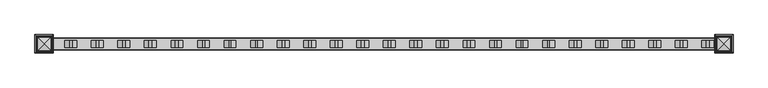
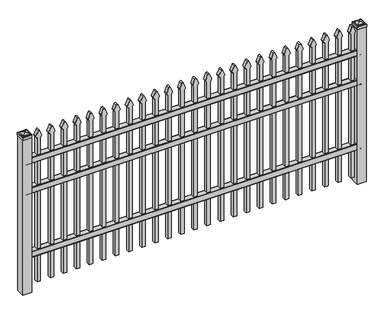
"""IFC4 building model written with IfcOpenShell, lengths in millimetres: railing geometry."""

from ifc_helpers import new_model, si_unit, point, frame, frame_2d, origin, origin_with_axes, place, context, project, spatial, polyline, circle_curve, ellipse_curve, trimmed, segment, composite_curve, outline, extrude, source, transform, mapped, element, save
from ifc_brep_helpers import plane_surface, cylinder_surface, advanced_brep


def railing_cb644646(model_context):
    return source(origin(), model_context, "Body", "SolidModel", [
        extrude(outline(composite_curve([segment(polyline([(13397.9139761, 304.8), (13435.969541, 304.8)]), True, "CONTINUOUS"), segment(trimmed(circle_curve(frame_2d((13435.969541, 301.625)), 3.175), [point((13435.969541, 304.8))], [point((13439.144541, 301.625))], False, "CARTESIAN"), True, "CONTINUOUS"), segment(polyline([(13439.144541, 301.625), (13439.144541, 262.1439893)]), True, "CONTINUOUS"), segment(trimmed(circle_curve(frame_2d((13437.3505518, 262.1439893)), 1.7939893), [point((13439.144541, 262.1439893))], [point((13437.3505518, 260.35))], False, "CARTESIAN"), True, "CONTINUOUS"), segment(polyline([(13437.3505518, 260.35), (13434.7590713, 260.35)]), True, "CONTINUOUS"), segment(trimmed(circle_curve(frame_2d((13434.7590713, 262.1359375)), 1.7859375), [point((13434.7590713, 260.35))], [point((13432.9755813, 262.0424688))], False, "CARTESIAN"), True, "CONTINUOUS"), segment(polyline([(13432.9755813, 262.0424688), (13431.4025867, 292.0569942), (13402.4364954, 292.0569942), (13400.8635007, 262.0424688)]), True, "CONTINUOUS"), segment(trimmed(circle_curve(frame_2d((13399.0800108, 262.1359375)), 1.7859375), [point((13400.8635007, 262.0424688))], [point((13399.0800108, 260.35))], False, "CARTESIAN"), True, "CONTINUOUS"), segment(polyline([(13399.0800108, 260.35), (13396.4804785, 260.35)]), True, "CONTINUOUS"), segment(trimmed(circle_curve(frame_2d((13396.4804785, 262.1359375)), 1.7859375), [point((13396.4804785, 260.35))], [point((13394.694541, 262.1359375))], False, "CARTESIAN"), True, "CONTINUOUS"), segment(polyline([(13394.694541, 262.1359375), (13394.694541, 301.5805649)]), True, "CONTINUOUS"), segment(trimmed(circle_curve(frame_2d((13397.9139761, 301.5805649)), 3.2194351), [point((13394.694541, 301.5805649))], [point((13397.9139761, 304.8))], False, "CARTESIAN"), True, "CONTINUOUS")], self_intersect=False)), frame((-28443.4649936, 0.0, 0.0), z_axis=(1.0, 0.0, 0.0), x_axis=(0.0, 1.0, 0.0)), (0.0, 0.0, 1.0), 2438.4),
        extrude(outline(composite_curve([segment(polyline([(13397.9139761, 800.1), (13435.969541, 800.1)]), True, "CONTINUOUS"), segment(trimmed(circle_curve(frame_2d((13435.969541, 796.925)), 3.175), [point((13435.969541, 800.1))], [point((13439.144541, 796.925))], False, "CARTESIAN"), True, "CONTINUOUS"), segment(polyline([(13439.144541, 796.925), (13439.144541, 757.4439893)]), True, "CONTINUOUS"), segment(trimmed(circle_curve(frame_2d((13437.3505518, 757.4439893)), 1.7939893), [point((13439.144541, 757.4439893))], [point((13437.3505518, 755.65))], False, "CARTESIAN"), True, "CONTINUOUS"), segment(polyline([(13437.3505518, 755.65), (13434.7590713, 755.65)]), True, "CONTINUOUS"), segment(trimmed(circle_curve(frame_2d((13434.7590713, 757.4359375)), 1.7859375), [point((13434.7590713, 755.65))], [point((13432.9755813, 757.3424688))], False, "CARTESIAN"), True, "CONTINUOUS"), segment(polyline([(13432.9755813, 757.3424688), (13431.4025867, 787.3569942), (13402.4364954, 787.3569942), (13400.8635007, 757.3424688)]), True, "CONTINUOUS"), segment(trimmed(circle_curve(frame_2d((13399.0800108, 757.4359375)), 1.7859375), [point((13400.8635007, 757.3424688))], [point((13399.0800108, 755.65))], False, "CARTESIAN"), True, "CONTINUOUS"), segment(polyline([(13399.0800108, 755.65), (13396.4804785, 755.65)]), True, "CONTINUOUS"), segment(trimmed(circle_curve(frame_2d((13396.4804785, 757.4359375)), 1.7859375), [point((13396.4804785, 755.65))], [point((13394.694541, 757.4359375))], False, "CARTESIAN"), True, "CONTINUOUS"), segment(polyline([(13394.694541, 757.4359375), (13394.694541, 796.8805649)]), True, "CONTINUOUS"), segment(trimmed(circle_curve(frame_2d((13397.9139761, 796.8805649)), 3.2194351), [point((13394.694541, 796.8805649))], [point((13397.9139761, 800.1))], False, "CARTESIAN"), True, "CONTINUOUS")], self_intersect=False)), frame((-28443.4649936, 0.0, 0.0), z_axis=(1.0, 0.0, 0.0), x_axis=(0.0, 1.0, 0.0)), (0.0, 0.0, 1.0), 2438.4),
        extrude(outline(composite_curve([segment(polyline([(13397.9139761, 1030.2875), (13435.969541, 1030.2875)]), True, "CONTINUOUS"), segment(trimmed(circle_curve(frame_2d((13435.969541, 1027.1125)), 3.175), [point((13435.969541, 1030.2875))], [point((13439.144541, 1027.1125))], False, "CARTESIAN"), True, "CONTINUOUS"), segment(polyline([(13439.144541, 1027.1125), (13439.144541, 987.6314893)]), True, "CONTINUOUS"), segment(trimmed(circle_curve(frame_2d((13437.3505518, 987.6314893)), 1.7939893), [point((13439.144541, 987.6314893))], [point((13437.3505518, 985.8375))], False, "CARTESIAN"), True, "CONTINUOUS"), segment(polyline([(13437.3505518, 985.8375), (13434.7590713, 985.8375)]), True, "CONTINUOUS"), segment(trimmed(circle_curve(frame_2d((13434.7590713, 987.6234375)), 1.7859375), [point((13434.7590713, 985.8375))], [point((13432.9755813, 987.5299688))], False, "CARTESIAN"), True, "CONTINUOUS"), segment(polyline([(13432.9755813, 987.5299688), (13431.4025867, 1017.5444942), (13402.4364954, 1017.5444942), (13400.8635007, 987.5299688)]), True, "CONTINUOUS"), segment(trimmed(circle_curve(frame_2d((13399.0800108, 987.6234375)), 1.7859375), [point((13400.8635007, 987.5299688))], [point((13399.0800108, 985.8375))], False, "CARTESIAN"), True, "CONTINUOUS"), segment(polyline([(13399.0800108, 985.8375), (13396.4804785, 985.8375)]), True, "CONTINUOUS"), segment(trimmed(circle_curve(frame_2d((13396.4804785, 987.6234375)), 1.7859375), [point((13396.4804785, 985.8375))], [point((13394.694541, 987.6234375))], False, "CARTESIAN"), True, "CONTINUOUS"), segment(polyline([(13394.694541, 987.6234375), (13394.694541, 1027.0680649)]), True, "CONTINUOUS"), segment(trimmed(circle_curve(frame_2d((13397.9139761, 1027.0680649)), 3.2194351), [point((13394.694541, 1027.0680649))], [point((13397.9139761, 1030.2875))], False, "CARTESIAN"), True, "CONTINUOUS")], self_intersect=False)), frame((-28443.4649936, 0.0, 0.0), z_axis=(1.0, 0.0, 0.0), x_axis=(0.0, 1.0, 0.0)), (0.0, 0.0, 1.0), 2438.4),
        extrude(outline(composite_curve([segment(polyline([(1159.8798417, -26074.9149936), (50.8, -26074.9149936), (50.8, -26049.5149936), (1159.6579232, -26049.5149936)]), True, "CONTINUOUS"), segment(trimmed(circle_curve(frame_2d((1178.1299402, -26063.3872336)), 23.1009622), [point((1159.6579232, -26049.5149936))], [point((1172.6676176, -26040.9413545))], False, "CARTESIAN"), True, "CONTINUOUS"), segment(polyline([(1172.6676176, -26040.9413545), (1213.1555225, -26057.2605644)]), True, "CONTINUOUS"), segment(trimmed(circle_curve(frame_2d((1210.0045804, -26062.3905764)), 6.0204202), [point((1213.1555225, -26057.2605644))], [point((1213.1555225, -26067.5205884))], False, "CARTESIAN"), True, "CONTINUOUS"), segment(polyline([(1213.1555225, -26067.5205884), (1173.9339948, -26083.4687724)]), True, "CONTINUOUS"), segment(trimmed(circle_curve(frame_2d((1178.1299402, -26060.7520716)), 23.1009622), [point((1173.9339948, -26083.4687724))], [point((1159.8798417, -26074.9149936))], False, "CARTESIAN"), True, "CONTINUOUS")], self_intersect=False)), frame((0.0, 13404.219541, 0.0), z_axis=(0.0, 1.0, 0.0), x_axis=(0.0, 0.0, 1.0)), (0.0, 0.0, 1.0), 25.4),
        extrude(outline(composite_curve([segment(polyline([(1159.8798417, -26170.1649936), (50.8, -26170.1649936), (50.8, -26144.7649936), (1159.6579232, -26144.7649936)]), True, "CONTINUOUS"), segment(trimmed(circle_curve(frame_2d((1178.1299402, -26158.6372336)), 23.1009622), [point((1159.6579232, -26144.7649936))], [point((1172.6676176, -26136.1913545))], False, "CARTESIAN"), True, "CONTINUOUS"), segment(polyline([(1172.6676176, -26136.1913545), (1213.1555225, -26152.5105644)]), True, "CONTINUOUS"), segment(trimmed(circle_curve(frame_2d((1210.0045804, -26157.6405764)), 6.0204202), [point((1213.1555225, -26152.5105644))], [point((1213.1555225, -26162.7705884))], False, "CARTESIAN"), True, "CONTINUOUS"), segment(polyline([(1213.1555225, -26162.7705884), (1173.9339948, -26178.7187724)]), True, "CONTINUOUS"), segment(trimmed(circle_curve(frame_2d((1178.1299402, -26156.0020716)), 23.1009622), [point((1173.9339948, -26178.7187724))], [point((1159.8798417, -26170.1649936))], False, "CARTESIAN"), True, "CONTINUOUS")], self_intersect=False)), frame((0.0, 13404.219541, 0.0), z_axis=(0.0, 1.0, 0.0), x_axis=(0.0, 0.0, 1.0)), (0.0, 0.0, 1.0), 25.4),
        extrude(outline(composite_curve([segment(polyline([(1159.8798417, -26265.4149936), (50.8, -26265.4149936), (50.8, -26240.0149936), (1159.6579232, -26240.0149936)]), True, "CONTINUOUS"), segment(trimmed(circle_curve(frame_2d((1178.1299402, -26253.8872336)), 23.1009622), [point((1159.6579232, -26240.0149936))], [point((1172.6676176, -26231.4413545))], False, "CARTESIAN"), True, "CONTINUOUS"), segment(polyline([(1172.6676176, -26231.4413545), (1213.1555225, -26247.7605644)]), True, "CONTINUOUS"), segment(trimmed(circle_curve(frame_2d((1210.0045804, -26252.8905764)), 6.0204202), [point((1213.1555225, -26247.7605644))], [point((1213.1555225, -26258.0205884))], False, "CARTESIAN"), True, "CONTINUOUS"), segment(polyline([(1213.1555225, -26258.0205884), (1173.9339948, -26273.9687724)]), True, "CONTINUOUS"), segment(trimmed(circle_curve(frame_2d((1178.1299402, -26251.2520716)), 23.1009622), [point((1173.9339948, -26273.9687724))], [point((1159.8798417, -26265.4149936))], False, "CARTESIAN"), True, "CONTINUOUS")], self_intersect=False)), frame((0.0, 13404.219541, 0.0), z_axis=(0.0, 1.0, 0.0), x_axis=(0.0, 0.0, 1.0)), (0.0, 0.0, 1.0), 25.4),
        extrude(outline(composite_curve([segment(polyline([(1159.8798417, -26360.6649936), (50.8, -26360.6649936), (50.8, -26335.2649936), (1159.6579232, -26335.2649936)]), True, "CONTINUOUS"), segment(trimmed(circle_curve(frame_2d((1178.1299402, -26349.1372336)), 23.1009622), [point((1159.6579232, -26335.2649936))], [point((1172.6676176, -26326.6913545))], False, "CARTESIAN"), True, "CONTINUOUS"), segment(polyline([(1172.6676176, -26326.6913545), (1213.1555225, -26343.0105644)]), True, "CONTINUOUS"), segment(trimmed(circle_curve(frame_2d((1210.0045804, -26348.1405764)), 6.0204202), [point((1213.1555225, -26343.0105644))], [point((1213.1555225, -26353.2705884))], False, "CARTESIAN"), True, "CONTINUOUS"), segment(polyline([(1213.1555225, -26353.2705884), (1173.9339948, -26369.2187724)]), True, "CONTINUOUS"), segment(trimmed(circle_curve(frame_2d((1178.1299402, -26346.5020716)), 23.1009622), [point((1173.9339948, -26369.2187724))], [point((1159.8798417, -26360.6649936))], False, "CARTESIAN"), True, "CONTINUOUS")], self_intersect=False)), frame((0.0, 13404.219541, 0.0), z_axis=(0.0, 1.0, 0.0), x_axis=(0.0, 0.0, 1.0)), (0.0, 0.0, 1.0), 25.4),
        extrude(outline(composite_curve([segment(polyline([(1159.8798417, -26455.9149936), (50.8, -26455.9149936), (50.8, -26430.5149936), (1159.6579232, -26430.5149936)]), True, "CONTINUOUS"), segment(trimmed(circle_curve(frame_2d((1178.1299402, -26444.3872336)), 23.1009622), [point((1159.6579232, -26430.5149936))], [point((1172.6676176, -26421.9413545))], False, "CARTESIAN"), True, "CONTINUOUS"), segment(polyline([(1172.6676176, -26421.9413545), (1213.1555225, -26438.2605644)]), True, "CONTINUOUS"), segment(trimmed(circle_curve(frame_2d((1210.0045804, -26443.3905764)), 6.0204202), [point((1213.1555225, -26438.2605644))], [point((1213.1555225, -26448.5205884))], False, "CARTESIAN"), True, "CONTINUOUS"), segment(polyline([(1213.1555225, -26448.5205884), (1173.9339948, -26464.4687724)]), True, "CONTINUOUS"), segment(trimmed(circle_curve(frame_2d((1178.1299402, -26441.7520716)), 23.1009622), [point((1173.9339948, -26464.4687724))], [point((1159.8798417, -26455.9149936))], False, "CARTESIAN"), True, "CONTINUOUS")], self_intersect=False)), frame((0.0, 13404.219541, 0.0), z_axis=(0.0, 1.0, 0.0), x_axis=(0.0, 0.0, 1.0)), (0.0, 0.0, 1.0), 25.4),
        extrude(outline(composite_curve([segment(polyline([(1159.8798417, -26551.1649936), (50.8, -26551.1649936), (50.8, -26525.7649936), (1159.6579232, -26525.7649936)]), True, "CONTINUOUS"), segment(trimmed(circle_curve(frame_2d((1178.1299402, -26539.6372336)), 23.1009622), [point((1159.6579232, -26525.7649936))], [point((1172.6676176, -26517.1913545))], False, "CARTESIAN"), True, "CONTINUOUS"), segment(polyline([(1172.6676176, -26517.1913545), (1213.1555225, -26533.5105644)]), True, "CONTINUOUS"), segment(trimmed(circle_curve(frame_2d((1210.0045804, -26538.6405764)), 6.0204202), [point((1213.1555225, -26533.5105644))], [point((1213.1555225, -26543.7705884))], False, "CARTESIAN"), True, "CONTINUOUS"), segment(polyline([(1213.1555225, -26543.7705884), (1173.9339948, -26559.7187724)]), True, "CONTINUOUS"), segment(trimmed(circle_curve(frame_2d((1178.1299402, -26537.0020716)), 23.1009622), [point((1173.9339948, -26559.7187724))], [point((1159.8798417, -26551.1649936))], False, "CARTESIAN"), True, "CONTINUOUS")], self_intersect=False)), frame((0.0, 13404.219541, 0.0), z_axis=(0.0, 1.0, 0.0), x_axis=(0.0, 0.0, 1.0)), (0.0, 0.0, 1.0), 25.4),
        extrude(outline(composite_curve([segment(polyline([(1159.8798417, -26646.4149936), (50.8, -26646.4149936), (50.8, -26621.0149936), (1159.6579232, -26621.0149936)]), True, "CONTINUOUS"), segment(trimmed(circle_curve(frame_2d((1178.1299402, -26634.8872336)), 23.1009622), [point((1159.6579232, -26621.0149936))], [point((1172.6676176, -26612.4413545))], False, "CARTESIAN"), True, "CONTINUOUS"), segment(polyline([(1172.6676176, -26612.4413545), (1213.1555225, -26628.7605644)]), True, "CONTINUOUS"), segment(trimmed(circle_curve(frame_2d((1210.0045804, -26633.8905764)), 6.0204202), [point((1213.1555225, -26628.7605644))], [point((1213.1555225, -26639.0205884))], False, "CARTESIAN"), True, "CONTINUOUS"), segment(polyline([(1213.1555225, -26639.0205884), (1173.9339948, -26654.9687724)]), True, "CONTINUOUS"), segment(trimmed(circle_curve(frame_2d((1178.1299402, -26632.2520716)), 23.1009622), [point((1173.9339948, -26654.9687724))], [point((1159.8798417, -26646.4149936))], False, "CARTESIAN"), True, "CONTINUOUS")], self_intersect=False)), frame((0.0, 13404.219541, 0.0), z_axis=(0.0, 1.0, 0.0), x_axis=(0.0, 0.0, 1.0)), (0.0, 0.0, 1.0), 25.4),
        extrude(outline(composite_curve([segment(polyline([(1159.8798417, -26741.6649936), (50.8, -26741.6649936), (50.8, -26716.2649936), (1159.6579232, -26716.2649936)]), True, "CONTINUOUS"), segment(trimmed(circle_curve(frame_2d((1178.1299402, -26730.1372336)), 23.1009622), [point((1159.6579232, -26716.2649936))], [point((1172.6676176, -26707.6913545))], False, "CARTESIAN"), True, "CONTINUOUS"), segment(polyline([(1172.6676176, -26707.6913545), (1213.1555225, -26724.0105644)]), True, "CONTINUOUS"), segment(trimmed(circle_curve(frame_2d((1210.0045804, -26729.1405764)), 6.0204202), [point((1213.1555225, -26724.0105644))], [point((1213.1555225, -26734.2705884))], False, "CARTESIAN"), True, "CONTINUOUS"), segment(polyline([(1213.1555225, -26734.2705884), (1173.9339948, -26750.2187724)]), True, "CONTINUOUS"), segment(trimmed(circle_curve(frame_2d((1178.1299402, -26727.5020716)), 23.1009622), [point((1173.9339948, -26750.2187724))], [point((1159.8798417, -26741.6649936))], False, "CARTESIAN"), True, "CONTINUOUS")], self_intersect=False)), frame((0.0, 13404.219541, 0.0), z_axis=(0.0, 1.0, 0.0), x_axis=(0.0, 0.0, 1.0)), (0.0, 0.0, 1.0), 25.4),
        extrude(outline(composite_curve([segment(polyline([(1159.8798417, -26836.9149936), (50.8, -26836.9149936), (50.8, -26811.5149936), (1159.6579232, -26811.5149936)]), True, "CONTINUOUS"), segment(trimmed(circle_curve(frame_2d((1178.1299402, -26825.3872336)), 23.1009622), [point((1159.6579232, -26811.5149936))], [point((1172.6676176, -26802.9413545))], False, "CARTESIAN"), True, "CONTINUOUS"), segment(polyline([(1172.6676176, -26802.9413545), (1213.1555225, -26819.2605644)]), True, "CONTINUOUS"), segment(trimmed(circle_curve(frame_2d((1210.0045804, -26824.3905764)), 6.0204202), [point((1213.1555225, -26819.2605644))], [point((1213.1555225, -26829.5205884))], False, "CARTESIAN"), True, "CONTINUOUS"), segment(polyline([(1213.1555225, -26829.5205884), (1173.9339948, -26845.4687724)]), True, "CONTINUOUS"), segment(trimmed(circle_curve(frame_2d((1178.1299402, -26822.7520716)), 23.1009622), [point((1173.9339948, -26845.4687724))], [point((1159.8798417, -26836.9149936))], False, "CARTESIAN"), True, "CONTINUOUS")], self_intersect=False)), frame((0.0, 13404.219541, 0.0), z_axis=(0.0, 1.0, 0.0), x_axis=(0.0, 0.0, 1.0)), (0.0, 0.0, 1.0), 25.4),
        extrude(outline(composite_curve([segment(polyline([(1159.8798417, -26932.1649936), (50.8, -26932.1649936), (50.8, -26906.7649936), (1159.6579232, -26906.7649936)]), True, "CONTINUOUS"), segment(trimmed(circle_curve(frame_2d((1178.1299402, -26920.6372336)), 23.1009622), [point((1159.6579232, -26906.7649936))], [point((1172.6676176, -26898.1913545))], False, "CARTESIAN"), True, "CONTINUOUS"), segment(polyline([(1172.6676176, -26898.1913545), (1213.1555225, -26914.5105644)]), True, "CONTINUOUS"), segment(trimmed(circle_curve(frame_2d((1210.0045804, -26919.6405764)), 6.0204202), [point((1213.1555225, -26914.5105644))], [point((1213.1555225, -26924.7705884))], False, "CARTESIAN"), True, "CONTINUOUS"), segment(polyline([(1213.1555225, -26924.7705884), (1173.9339948, -26940.7187724)]), True, "CONTINUOUS"), segment(trimmed(circle_curve(frame_2d((1178.1299402, -26918.0020716)), 23.1009622), [point((1173.9339948, -26940.7187724))], [point((1159.8798417, -26932.1649936))], False, "CARTESIAN"), True, "CONTINUOUS")], self_intersect=False)), frame((0.0, 13404.219541, 0.0), z_axis=(0.0, 1.0, 0.0), x_axis=(0.0, 0.0, 1.0)), (0.0, 0.0, 1.0), 25.4),
        extrude(outline(composite_curve([segment(polyline([(1159.8798417, -27027.4149936), (50.8, -27027.4149936), (50.8, -27002.0149936), (1159.6579232, -27002.0149936)]), True, "CONTINUOUS"), segment(trimmed(circle_curve(frame_2d((1178.1299402, -27015.8872336)), 23.1009622), [point((1159.6579232, -27002.0149936))], [point((1172.6676176, -26993.4413545))], False, "CARTESIAN"), True, "CONTINUOUS"), segment(polyline([(1172.6676176, -26993.4413545), (1213.1555225, -27009.7605644)]), True, "CONTINUOUS"), segment(trimmed(circle_curve(frame_2d((1210.0045804, -27014.8905764)), 6.0204202), [point((1213.1555225, -27009.7605644))], [point((1213.1555225, -27020.0205884))], False, "CARTESIAN"), True, "CONTINUOUS"), segment(polyline([(1213.1555225, -27020.0205884), (1173.9339948, -27035.9687724)]), True, "CONTINUOUS"), segment(trimmed(circle_curve(frame_2d((1178.1299402, -27013.2520716)), 23.1009622), [point((1173.9339948, -27035.9687724))], [point((1159.8798417, -27027.4149936))], False, "CARTESIAN"), True, "CONTINUOUS")], self_intersect=False)), frame((0.0, 13404.219541, 0.0), z_axis=(0.0, 1.0, 0.0), x_axis=(0.0, 0.0, 1.0)), (0.0, 0.0, 1.0), 25.4),
        extrude(outline(composite_curve([segment(polyline([(1159.8798417, -27122.6649936), (50.8, -27122.6649936), (50.8, -27097.2649936), (1159.6579232, -27097.2649936)]), True, "CONTINUOUS"), segment(trimmed(circle_curve(frame_2d((1178.1299402, -27111.1372336)), 23.1009622), [point((1159.6579232, -27097.2649936))], [point((1172.6676176, -27088.6913545))], False, "CARTESIAN"), True, "CONTINUOUS"), segment(polyline([(1172.6676176, -27088.6913545), (1213.1555225, -27105.0105644)]), True, "CONTINUOUS"), segment(trimmed(circle_curve(frame_2d((1210.0045804, -27110.1405764)), 6.0204202), [point((1213.1555225, -27105.0105644))], [point((1213.1555225, -27115.2705884))], False, "CARTESIAN"), True, "CONTINUOUS"), segment(polyline([(1213.1555225, -27115.2705884), (1173.9339948, -27131.2187724)]), True, "CONTINUOUS"), segment(trimmed(circle_curve(frame_2d((1178.1299402, -27108.5020716)), 23.1009622), [point((1173.9339948, -27131.2187724))], [point((1159.8798417, -27122.6649936))], False, "CARTESIAN"), True, "CONTINUOUS")], self_intersect=False)), frame((0.0, 13404.219541, 0.0), z_axis=(0.0, 1.0, 0.0), x_axis=(0.0, 0.0, 1.0)), (0.0, 0.0, 1.0), 25.4),
        extrude(outline(composite_curve([segment(polyline([(1159.8798417, -27217.9149936), (50.8, -27217.9149936), (50.8, -27192.5149936), (1159.6579232, -27192.5149936)]), True, "CONTINUOUS"), segment(trimmed(circle_curve(frame_2d((1178.1299402, -27206.3872336)), 23.1009622), [point((1159.6579232, -27192.5149936))], [point((1172.6676176, -27183.9413545))], False, "CARTESIAN"), True, "CONTINUOUS"), segment(polyline([(1172.6676176, -27183.9413545), (1213.1555225, -27200.2605644)]), True, "CONTINUOUS"), segment(trimmed(circle_curve(frame_2d((1210.0045804, -27205.3905764)), 6.0204202), [point((1213.1555225, -27200.2605644))], [point((1213.1555225, -27210.5205884))], False, "CARTESIAN"), True, "CONTINUOUS"), segment(polyline([(1213.1555225, -27210.5205884), (1173.9339948, -27226.4687724)]), True, "CONTINUOUS"), segment(trimmed(circle_curve(frame_2d((1178.1299402, -27203.7520716)), 23.1009622), [point((1173.9339948, -27226.4687724))], [point((1159.8798417, -27217.9149936))], False, "CARTESIAN"), True, "CONTINUOUS")], self_intersect=False)), frame((0.0, 13404.219541, 0.0), z_axis=(0.0, 1.0, 0.0), x_axis=(0.0, 0.0, 1.0)), (0.0, 0.0, 1.0), 25.4),
        extrude(outline(composite_curve([segment(polyline([(1159.8798417, -27313.1649936), (50.8, -27313.1649936), (50.8, -27287.7649936), (1159.6579232, -27287.7649936)]), True, "CONTINUOUS"), segment(trimmed(circle_curve(frame_2d((1178.1299402, -27301.6372336)), 23.1009622), [point((1159.6579232, -27287.7649936))], [point((1172.6676176, -27279.1913545))], False, "CARTESIAN"), True, "CONTINUOUS"), segment(polyline([(1172.6676176, -27279.1913545), (1213.1555225, -27295.5105644)]), True, "CONTINUOUS"), segment(trimmed(circle_curve(frame_2d((1210.0045804, -27300.6405764)), 6.0204202), [point((1213.1555225, -27295.5105644))], [point((1213.1555225, -27305.7705884))], False, "CARTESIAN"), True, "CONTINUOUS"), segment(polyline([(1213.1555225, -27305.7705884), (1173.9339948, -27321.7187724)]), True, "CONTINUOUS"), segment(trimmed(circle_curve(frame_2d((1178.1299402, -27299.0020716)), 23.1009622), [point((1173.9339948, -27321.7187724))], [point((1159.8798417, -27313.1649936))], False, "CARTESIAN"), True, "CONTINUOUS")], self_intersect=False)), frame((0.0, 13404.219541, 0.0), z_axis=(0.0, 1.0, 0.0), x_axis=(0.0, 0.0, 1.0)), (0.0, 0.0, 1.0), 25.4),
        extrude(outline(composite_curve([segment(polyline([(1159.8798417, -27408.4149936), (50.8, -27408.4149936), (50.8, -27383.0149936), (1159.6579232, -27383.0149936)]), True, "CONTINUOUS"), segment(trimmed(circle_curve(frame_2d((1178.1299402, -27396.8872336)), 23.1009622), [point((1159.6579232, -27383.0149936))], [point((1172.6676176, -27374.4413545))], False, "CARTESIAN"), True, "CONTINUOUS"), segment(polyline([(1172.6676176, -27374.4413545), (1213.1555225, -27390.7605644)]), True, "CONTINUOUS"), segment(trimmed(circle_curve(frame_2d((1210.0045804, -27395.8905764)), 6.0204202), [point((1213.1555225, -27390.7605644))], [point((1213.1555225, -27401.0205884))], False, "CARTESIAN"), True, "CONTINUOUS"), segment(polyline([(1213.1555225, -27401.0205884), (1173.9339948, -27416.9687724)]), True, "CONTINUOUS"), segment(trimmed(circle_curve(frame_2d((1178.1299402, -27394.2520716)), 23.1009622), [point((1173.9339948, -27416.9687724))], [point((1159.8798417, -27408.4149936))], False, "CARTESIAN"), True, "CONTINUOUS")], self_intersect=False)), frame((0.0, 13404.219541, 0.0), z_axis=(0.0, 1.0, 0.0), x_axis=(0.0, 0.0, 1.0)), (0.0, 0.0, 1.0), 25.4),
        extrude(outline(composite_curve([segment(polyline([(1159.8798417, -27503.6649936), (50.8, -27503.6649936), (50.8, -27478.2649936), (1159.6579232, -27478.2649936)]), True, "CONTINUOUS"), segment(trimmed(circle_curve(frame_2d((1178.1299402, -27492.1372336)), 23.1009622), [point((1159.6579232, -27478.2649936))], [point((1172.6676176, -27469.6913545))], False, "CARTESIAN"), True, "CONTINUOUS"), segment(polyline([(1172.6676176, -27469.6913545), (1213.1555225, -27486.0105644)]), True, "CONTINUOUS"), segment(trimmed(circle_curve(frame_2d((1210.0045804, -27491.1405764)), 6.0204202), [point((1213.1555225, -27486.0105644))], [point((1213.1555225, -27496.2705884))], False, "CARTESIAN"), True, "CONTINUOUS"), segment(polyline([(1213.1555225, -27496.2705884), (1173.9339948, -27512.2187724)]), True, "CONTINUOUS"), segment(trimmed(circle_curve(frame_2d((1178.1299402, -27489.5020716)), 23.1009622), [point((1173.9339948, -27512.2187724))], [point((1159.8798417, -27503.6649936))], False, "CARTESIAN"), True, "CONTINUOUS")], self_intersect=False)), frame((0.0, 13404.219541, 0.0), z_axis=(0.0, 1.0, 0.0), x_axis=(0.0, 0.0, 1.0)), (0.0, 0.0, 1.0), 25.4),
        extrude(outline(composite_curve([segment(polyline([(1159.8798417, -27598.9149936), (50.8, -27598.9149936), (50.8, -27573.5149936), (1159.6579232, -27573.5149936)]), True, "CONTINUOUS"), segment(trimmed(circle_curve(frame_2d((1178.1299402, -27587.3872336)), 23.1009622), [point((1159.6579232, -27573.5149936))], [point((1172.6676176, -27564.9413545))], False, "CARTESIAN"), True, "CONTINUOUS"), segment(polyline([(1172.6676176, -27564.9413545), (1213.1555225, -27581.2605644)]), True, "CONTINUOUS"), segment(trimmed(circle_curve(frame_2d((1210.0045804, -27586.3905764)), 6.0204202), [point((1213.1555225, -27581.2605644))], [point((1213.1555225, -27591.5205884))], False, "CARTESIAN"), True, "CONTINUOUS"), segment(polyline([(1213.1555225, -27591.5205884), (1173.9339948, -27607.4687724)]), True, "CONTINUOUS"), segment(trimmed(circle_curve(frame_2d((1178.1299402, -27584.7520716)), 23.1009622), [point((1173.9339948, -27607.4687724))], [point((1159.8798417, -27598.9149936))], False, "CARTESIAN"), True, "CONTINUOUS")], self_intersect=False)), frame((0.0, 13404.219541, 0.0), z_axis=(0.0, 1.0, 0.0), x_axis=(0.0, 0.0, 1.0)), (0.0, 0.0, 1.0), 25.4),
        extrude(outline(composite_curve([segment(polyline([(1159.8798417, -27694.1649936), (50.8, -27694.1649936), (50.8, -27668.7649936), (1159.6579232, -27668.7649936)]), True, "CONTINUOUS"), segment(trimmed(circle_curve(frame_2d((1178.1299402, -27682.6372336)), 23.1009622), [point((1159.6579232, -27668.7649936))], [point((1172.6676176, -27660.1913545))], False, "CARTESIAN"), True, "CONTINUOUS"), segment(polyline([(1172.6676176, -27660.1913545), (1213.1555225, -27676.5105644)]), True, "CONTINUOUS"), segment(trimmed(circle_curve(frame_2d((1210.0045804, -27681.6405764)), 6.0204202), [point((1213.1555225, -27676.5105644))], [point((1213.1555225, -27686.7705884))], False, "CARTESIAN"), True, "CONTINUOUS"), segment(polyline([(1213.1555225, -27686.7705884), (1173.9339948, -27702.7187724)]), True, "CONTINUOUS"), segment(trimmed(circle_curve(frame_2d((1178.1299402, -27680.0020716)), 23.1009622), [point((1173.9339948, -27702.7187724))], [point((1159.8798417, -27694.1649936))], False, "CARTESIAN"), True, "CONTINUOUS")], self_intersect=False)), frame((0.0, 13404.219541, 0.0), z_axis=(0.0, 1.0, 0.0), x_axis=(0.0, 0.0, 1.0)), (0.0, 0.0, 1.0), 25.4),
        extrude(outline(composite_curve([segment(polyline([(1159.8798417, -27789.4149936), (50.8, -27789.4149936), (50.8, -27764.0149936), (1159.6579232, -27764.0149936)]), True, "CONTINUOUS"), segment(trimmed(circle_curve(frame_2d((1178.1299402, -27777.8872336)), 23.1009622), [point((1159.6579232, -27764.0149936))], [point((1172.6676176, -27755.4413545))], False, "CARTESIAN"), True, "CONTINUOUS"), segment(polyline([(1172.6676176, -27755.4413545), (1213.1555225, -27771.7605644)]), True, "CONTINUOUS"), segment(trimmed(circle_curve(frame_2d((1210.0045804, -27776.8905764)), 6.0204202), [point((1213.1555225, -27771.7605644))], [point((1213.1555225, -27782.0205884))], False, "CARTESIAN"), True, "CONTINUOUS"), segment(polyline([(1213.1555225, -27782.0205884), (1173.9339948, -27797.9687724)]), True, "CONTINUOUS"), segment(trimmed(circle_curve(frame_2d((1178.1299402, -27775.2520716)), 23.1009622), [point((1173.9339948, -27797.9687724))], [point((1159.8798417, -27789.4149936))], False, "CARTESIAN"), True, "CONTINUOUS")], self_intersect=False)), frame((0.0, 13404.219541, 0.0), z_axis=(0.0, 1.0, 0.0), x_axis=(0.0, 0.0, 1.0)), (0.0, 0.0, 1.0), 25.4),
        extrude(outline(composite_curve([segment(polyline([(1159.8798417, -27884.6649936), (50.8, -27884.6649936), (50.8, -27859.2649936), (1159.6579232, -27859.2649936)]), True, "CONTINUOUS"), segment(trimmed(circle_curve(frame_2d((1178.1299402, -27873.1372336)), 23.1009622), [point((1159.6579232, -27859.2649936))], [point((1172.6676176, -27850.6913545))], False, "CARTESIAN"), True, "CONTINUOUS"), segment(polyline([(1172.6676176, -27850.6913545), (1213.1555225, -27867.0105644)]), True, "CONTINUOUS"), segment(trimmed(circle_curve(frame_2d((1210.0045804, -27872.1405764)), 6.0204202), [point((1213.1555225, -27867.0105644))], [point((1213.1555225, -27877.2705884))], False, "CARTESIAN"), True, "CONTINUOUS"), segment(polyline([(1213.1555225, -27877.2705884), (1173.9339948, -27893.2187724)]), True, "CONTINUOUS"), segment(trimmed(circle_curve(frame_2d((1178.1299402, -27870.5020716)), 23.1009622), [point((1173.9339948, -27893.2187724))], [point((1159.8798417, -27884.6649936))], False, "CARTESIAN"), True, "CONTINUOUS")], self_intersect=False)), frame((0.0, 13404.219541, 0.0), z_axis=(0.0, 1.0, 0.0), x_axis=(0.0, 0.0, 1.0)), (0.0, 0.0, 1.0), 25.4),
        extrude(outline(composite_curve([segment(polyline([(1159.8798417, -27979.9149936), (50.8, -27979.9149936), (50.8, -27954.5149936), (1159.6579232, -27954.5149936)]), True, "CONTINUOUS"), segment(trimmed(circle_curve(frame_2d((1178.1299402, -27968.3872336)), 23.1009622), [point((1159.6579232, -27954.5149936))], [point((1172.6676176, -27945.9413545))], False, "CARTESIAN"), True, "CONTINUOUS"), segment(polyline([(1172.6676176, -27945.9413545), (1213.1555225, -27962.2605644)]), True, "CONTINUOUS"), segment(trimmed(circle_curve(frame_2d((1210.0045804, -27967.3905764)), 6.0204202), [point((1213.1555225, -27962.2605644))], [point((1213.1555225, -27972.5205884))], False, "CARTESIAN"), True, "CONTINUOUS"), segment(polyline([(1213.1555225, -27972.5205884), (1173.9339948, -27988.4687724)]), True, "CONTINUOUS"), segment(trimmed(circle_curve(frame_2d((1178.1299402, -27965.7520716)), 23.1009622), [point((1173.9339948, -27988.4687724))], [point((1159.8798417, -27979.9149936))], False, "CARTESIAN"), True, "CONTINUOUS")], self_intersect=False)), frame((0.0, 13404.219541, 0.0), z_axis=(0.0, 1.0, 0.0), x_axis=(0.0, 0.0, 1.0)), (0.0, 0.0, 1.0), 25.4),
        extrude(outline(composite_curve([segment(polyline([(1159.8798417, -28075.1649936), (50.8, -28075.1649936), (50.8, -28049.7649936), (1159.6579232, -28049.7649936)]), True, "CONTINUOUS"), segment(trimmed(circle_curve(frame_2d((1178.1299402, -28063.6372336)), 23.1009622), [point((1159.6579232, -28049.7649936))], [point((1172.6676176, -28041.1913545))], False, "CARTESIAN"), True, "CONTINUOUS"), segment(polyline([(1172.6676176, -28041.1913545), (1213.1555225, -28057.5105644)]), True, "CONTINUOUS"), segment(trimmed(circle_curve(frame_2d((1210.0045804, -28062.6405764)), 6.0204202), [point((1213.1555225, -28057.5105644))], [point((1213.1555225, -28067.7705884))], False, "CARTESIAN"), True, "CONTINUOUS"), segment(polyline([(1213.1555225, -28067.7705884), (1173.9339948, -28083.7187724)]), True, "CONTINUOUS"), segment(trimmed(circle_curve(frame_2d((1178.1299402, -28061.0020716)), 23.1009622), [point((1173.9339948, -28083.7187724))], [point((1159.8798417, -28075.1649936))], False, "CARTESIAN"), True, "CONTINUOUS")], self_intersect=False)), frame((0.0, 13404.219541, 0.0), z_axis=(0.0, 1.0, 0.0), x_axis=(0.0, 0.0, 1.0)), (0.0, 0.0, 1.0), 25.4),
        extrude(outline(composite_curve([segment(polyline([(1159.8798417, -28170.4149936), (50.8, -28170.4149936), (50.8, -28145.0149936), (1159.6579232, -28145.0149936)]), True, "CONTINUOUS"), segment(trimmed(circle_curve(frame_2d((1178.1299402, -28158.8872336)), 23.1009622), [point((1159.6579232, -28145.0149936))], [point((1172.6676176, -28136.4413545))], False, "CARTESIAN"), True, "CONTINUOUS"), segment(polyline([(1172.6676176, -28136.4413545), (1213.1555225, -28152.7605644)]), True, "CONTINUOUS"), segment(trimmed(circle_curve(frame_2d((1210.0045804, -28157.8905764)), 6.0204202), [point((1213.1555225, -28152.7605644))], [point((1213.1555225, -28163.0205884))], False, "CARTESIAN"), True, "CONTINUOUS"), segment(polyline([(1213.1555225, -28163.0205884), (1173.9339948, -28178.9687724)]), True, "CONTINUOUS"), segment(trimmed(circle_curve(frame_2d((1178.1299402, -28156.2520716)), 23.1009622), [point((1173.9339948, -28178.9687724))], [point((1159.8798417, -28170.4149936))], False, "CARTESIAN"), True, "CONTINUOUS")], self_intersect=False)), frame((0.0, 13404.219541, 0.0), z_axis=(0.0, 1.0, 0.0), x_axis=(0.0, 0.0, 1.0)), (0.0, 0.0, 1.0), 25.4),
        extrude(outline(composite_curve([segment(polyline([(1159.8798417, -28265.6649936), (50.8, -28265.6649936), (50.8, -28240.2649936), (1159.6579232, -28240.2649936)]), True, "CONTINUOUS"), segment(trimmed(circle_curve(frame_2d((1178.1299402, -28254.1372336)), 23.1009622), [point((1159.6579232, -28240.2649936))], [point((1172.6676176, -28231.6913545))], False, "CARTESIAN"), True, "CONTINUOUS"), segment(polyline([(1172.6676176, -28231.6913545), (1213.1555225, -28248.0105644)]), True, "CONTINUOUS"), segment(trimmed(circle_curve(frame_2d((1210.0045804, -28253.1405764)), 6.0204202), [point((1213.1555225, -28248.0105644))], [point((1213.1555225, -28258.2705884))], False, "CARTESIAN"), True, "CONTINUOUS"), segment(polyline([(1213.1555225, -28258.2705884), (1173.9339948, -28274.2187724)]), True, "CONTINUOUS"), segment(trimmed(circle_curve(frame_2d((1178.1299402, -28251.5020716)), 23.1009622), [point((1173.9339948, -28274.2187724))], [point((1159.8798417, -28265.6649936))], False, "CARTESIAN"), True, "CONTINUOUS")], self_intersect=False)), frame((0.0, 13404.219541, 0.0), z_axis=(0.0, 1.0, 0.0), x_axis=(0.0, 0.0, 1.0)), (0.0, 0.0, 1.0), 25.4),
        extrude(outline(composite_curve([segment(polyline([(1159.8798417, -28360.9149936), (50.8, -28360.9149936), (50.8, -28335.5149936), (1159.6579232, -28335.5149936)]), True, "CONTINUOUS"), segment(trimmed(circle_curve(frame_2d((1178.1299402, -28349.3872336)), 23.1009622), [point((1159.6579232, -28335.5149936))], [point((1172.6676176, -28326.9413545))], False, "CARTESIAN"), True, "CONTINUOUS"), segment(polyline([(1172.6676176, -28326.9413545), (1213.1555225, -28343.2605644)]), True, "CONTINUOUS"), segment(trimmed(circle_curve(frame_2d((1210.0045804, -28348.3905764)), 6.0204202), [point((1213.1555225, -28343.2605644))], [point((1213.1555225, -28353.5205884))], False, "CARTESIAN"), True, "CONTINUOUS"), segment(polyline([(1213.1555225, -28353.5205884), (1173.9339948, -28369.4687724)]), True, "CONTINUOUS"), segment(trimmed(circle_curve(frame_2d((1178.1299402, -28346.7520716)), 23.1009622), [point((1173.9339948, -28369.4687724))], [point((1159.8798417, -28360.9149936))], False, "CARTESIAN"), True, "CONTINUOUS")], self_intersect=False)), frame((0.0, 13404.219541, 0.0), z_axis=(0.0, 1.0, 0.0), x_axis=(0.0, 0.0, 1.0)), (0.0, 0.0, 1.0), 25.4),
        extrude(outline(polyline([(-25973.3149936, 13448.669541), (-25973.3149936, 13385.169541), (-26036.8149936, 13385.169541), (-26036.8149936, 13448.669541), (-25973.3149936, 13448.669541)])), origin_with_axes(), (0.0, 0.0, 1.0), 1195.3875),
        advanced_brep(
        [(-26038.4024936, 13450.257041, 1213.64375), (-26038.4024936, 13450.257041, 1195.3875), (-26038.4024936, 13383.582041, 1195.3875), (-26038.4024936, 13383.582041, 1213.64375), (-26036.0212436, 13447.875791, 1216.025), (-26036.0212436, 13385.963291, 1216.025), (-26033.6399936, 13445.494541, 1218.40625), (-26033.6399936, 13445.494541, 1216.025), (-26033.6399936, 13388.344541, 1216.025), (-26033.6399936, 13388.344541, 1218.40625), (-26031.2587436, 13443.113291, 1220.7875), (-26031.2587436, 13390.725791, 1220.7875), (-26005.0649936, 13416.919541, 1227.1375), (-26028.8774936, 13440.732041, 1220.7875), (-26028.8774936, 13393.107041, 1220.7875), (-25971.7274936, 13383.582041, 1195.3875), (-25971.7274936, 13383.582041, 1213.64375), (-25974.1087436, 13385.963291, 1216.025), (-25976.4899936, 13388.344541, 1216.025), (-25976.4899936, 13388.344541, 1218.40625), (-25978.8712436, 13390.725791, 1220.7875), (-25981.2524936, 13393.107041, 1220.7875), (-25971.7274936, 13450.257041, 1195.3875), (-25971.7274936, 13450.257041, 1213.64375), (-25974.1087436, 13447.875791, 1216.025), (-25976.4899936, 13445.494541, 1216.025), (-25976.4899936, 13445.494541, 1218.40625), (-25978.8712436, 13443.113291, 1220.7875), (-25981.2524936, 13440.732041, 1220.7875)],
        [
            (0, 1),
            (1, 2),
            (2, 3),
            (3, 0),
            (4, 0, ellipse_curve(frame((-26036.0212436, 13447.875791, 1213.64375), z_axis=(-0.70710678118655, -0.7071067811865449, 0.0), x_axis=(-0.7071067811865448, 0.7071067811865501, 0.0)), 3.367596, 2.38125)),
            (3, 5, ellipse_curve(frame((-26036.0212436, 13385.963291, 1213.64375), z_axis=(-0.7071067811865449, 0.70710678118655, 0.0), x_axis=(0.7071067811865499, 0.707106781186545, 0.0)), 3.367596, 2.38125)),
            (5, 4),
            (6, 7),
            (7, 8),
            (8, 9),
            (9, 6),
            (10, 6, ellipse_curve(frame((-26031.2587436, 13443.113291, 1218.40625), z_axis=(-0.70710678118655, -0.7071067811865449, 0.0), x_axis=(-0.7071067811865448, 0.7071067811865501, 0.0)), 3.367596, 2.38125)),
            (9, 11, ellipse_curve(frame((-26031.2587436, 13390.725791, 1218.40625), z_axis=(-0.7071067811865449, 0.70710678118655, 0.0), x_axis=(0.7071067811865499, 0.707106781186545, 0.0)), 3.367596, 2.38125)),
            (11, 10),
            (12, 13, ellipse_curve(frame((-26005.0649936, 13416.919541, 1179.3140625), z_axis=(-0.70710678118655, -0.7071067811865449, 0.0), x_axis=(-0.7071067811865448, 0.7071067811865501, 0.0)), 67.6325539, 47.8234375)),
            (13, 14),
            (14, 12, ellipse_curve(frame((-26005.0649936, 13416.919541, 1179.3140625), z_axis=(-0.7071067811865449, 0.70710678118655, 0.0), x_axis=(0.7071067811865499, 0.707106781186545, 0.0)), 67.6325539, 47.8234375)),
            (2, 15),
            (15, 16),
            (16, 3),
            (16, 17, ellipse_curve(frame((-25974.1087436, 13385.963291, 1213.64375), z_axis=(-0.70710678118655, -0.707106781186545, 0.0), x_axis=(-0.707106781186545, 0.70710678118655, 0.0)), 3.367596, 2.38125)),
            (17, 5),
            (8, 18),
            (18, 19),
            (19, 9),
            (19, 20, ellipse_curve(frame((-25978.8712436, 13390.725791, 1218.40625), z_axis=(-0.70710678118655, -0.707106781186545, 0.0), x_axis=(-0.707106781186545, 0.70710678118655, 0.0)), 3.367596, 2.38125)),
            (20, 11),
            (14, 21),
            (21, 12, ellipse_curve(frame((-26005.0649936, 13416.919541, 1179.3140625), z_axis=(-0.70710678118655, -0.707106781186545, 0.0), x_axis=(-0.707106781186545, 0.70710678118655, 0.0)), 67.6325539, 47.8234375)),
            (15, 22),
            (22, 23),
            (23, 16),
            (23, 24, ellipse_curve(frame((-25974.1087436, 13447.875791, 1213.64375), z_axis=(0.707106781186545, -0.7071067811865499, 0.0), x_axis=(-0.7071067811865497, -0.7071067811865452, 0.0)), 3.367596, 2.38125)),
            (24, 17),
            (18, 25),
            (25, 26),
            (26, 19),
            (26, 27, ellipse_curve(frame((-25978.8712436, 13443.113291, 1218.40625), z_axis=(0.707106781186545, -0.7071067811865499, 0.0), x_axis=(-0.7071067811865497, -0.7071067811865452, 0.0)), 3.367596, 2.38125)),
            (27, 20),
            (21, 28),
            (28, 12, ellipse_curve(frame((-26005.0649936, 13416.919541, 1179.3140625), z_axis=(0.707106781186545, -0.7071067811865499, 0.0), x_axis=(-0.7071067811865497, -0.7071067811865452, 0.0)), 67.6325539, 47.8234375)),
            (22, 1),
            (0, 23),
            (4, 24),
            (7, 25),
            (6, 26),
            (10, 27),
            (13, 28),
        ],
        [
            plane_surface(frame((-26038.4024936, 13450.257041, 1195.3875), z_axis=(-1.0, 0.0, 0.0), x_axis=(0.0, -1.0, 0.0))),
            cylinder_surface(frame((-26036.0212436, 13448.669541, 1213.64375), z_axis=(0.0, 1.0, 0.0), x_axis=(1.0, 0.0, 0.0)), 2.38125),
            plane_surface(frame((-26033.6399936, 13445.494541, 1216.025), z_axis=(-1.0, 0.0, 0.0), x_axis=(0.0, -1.0, 0.0))),
            cylinder_surface(frame((-26031.2587436, 13448.669541, 1218.40625), z_axis=(0.0, 1.0, 0.0), x_axis=(1.0, 0.0, 0.0)), 2.38125),
            cylinder_surface(frame((-26005.0649936, 13448.669541, 1179.3140625), z_axis=(0.0, 1.0, 0.0), x_axis=(1.0, 0.0, 0.0)), 47.8234375),
            plane_surface(frame((-26038.4024936, 13383.582041, 1195.3875), z_axis=(0.0, -1.0, 0.0), x_axis=(1.0, 0.0, 0.0))),
            cylinder_surface(frame((-26036.8149936, 13385.963291, 1213.64375), z_axis=(-1.0, 0.0, 0.0), x_axis=(0.0, 1.0, 0.0)), 2.38125),
            plane_surface(frame((-26033.6399936, 13388.344541, 1216.025), z_axis=(0.0, -1.0, 0.0), x_axis=(1.0, 0.0, 0.0))),
            cylinder_surface(frame((-26036.8149936, 13390.725791, 1218.40625), z_axis=(-1.0, 0.0, 0.0), x_axis=(0.0, 1.0, 0.0)), 2.38125),
            cylinder_surface(frame((-26036.8149936, 13416.919541, 1179.3140625), z_axis=(-1.0, 0.0, 0.0), x_axis=(0.0, 1.0, 0.0)), 47.8234375),
            plane_surface(frame((-25971.7274936, 13383.582041, 1195.3875), z_axis=(1.0, 0.0, 0.0), x_axis=(0.0, 1.0, 0.0))),
            cylinder_surface(frame((-25974.1087436, 13385.169541, 1213.64375), z_axis=(0.0, -1.0, 0.0), x_axis=(-1.0, 0.0, 0.0)), 2.38125),
            plane_surface(frame((-25976.4899936, 13388.344541, 1216.025), z_axis=(1.0, 0.0, 0.0), x_axis=(0.0, 1.0, 0.0))),
            cylinder_surface(frame((-25978.8712436, 13385.169541, 1218.40625), z_axis=(0.0, -1.0, 0.0), x_axis=(-1.0, 0.0, 0.0)), 2.38125),
            cylinder_surface(frame((-26005.0649936, 13385.169541, 1179.3140625), z_axis=(0.0, -1.0, 0.0), x_axis=(-1.0, 0.0, 0.0)), 47.8234375),
            plane_surface(frame((-25971.7274936, 13450.257041, 1195.3875), z_axis=(0.0, 1.0, 0.0), x_axis=(-1.0, 0.0, 0.0))),
            cylinder_surface(frame((-25973.3149936, 13447.875791, 1213.64375), z_axis=(1.0, 0.0, 0.0), x_axis=(0.0, -1.0, 0.0)), 2.38125),
            plane_surface(frame((-25974.1087436, 13447.875791, 1216.025), z_axis=(0.0, 0.0, 1.0), x_axis=(-1.0, 0.0, 0.0))),
            plane_surface(frame((-25976.4899936, 13445.494541, 1216.025), z_axis=(0.0, 1.0, 0.0), x_axis=(-1.0, 0.0, 0.0))),
            cylinder_surface(frame((-25973.3149936, 13443.113291, 1218.40625), z_axis=(1.0, 0.0, 0.0), x_axis=(0.0, -1.0, 0.0)), 2.38125),
            plane_surface(frame((-25978.8712436, 13443.113291, 1220.7875), z_axis=(0.0, 0.0, 1.0), x_axis=(-1.0, 0.0, 0.0))),
            cylinder_surface(frame((-25973.3149936, 13416.919541, 1179.3140625), z_axis=(1.0, 0.0, 0.0), x_axis=(0.0, -1.0, 0.0)), 47.8234375),
            plane_surface(frame((-26005.0649936, 13416.919541, 1195.3875), z_axis=(0.0, 0.0, -1.0), x_axis=(-1.0, 0.0, 0.0))),
        ],
        [
            (0, [[1, 2, 3, 4]]),
            (1, [[5, -4, 6, 7]]),
            (2, [[8, 9, 10, 11]]),
            (3, [[12, -11, 13, 14]]),
            (4, [[15, 16, 17]]),
            (5, [[-3, 18, 19, 20]]),
            (6, [[-6, -20, 21, 22]]),
            (7, [[-10, 23, 24, 25]]),
            (8, [[-13, -25, 26, 27]]),
            (9, [[-17, 28, 29]]),
            (10, [[-19, 30, 31, 32]]),
            (11, [[-21, -32, 33, 34]]),
            (12, [[-24, 35, 36, 37]]),
            (13, [[-26, -37, 38, 39]]),
            (14, [[-29, 40, 41]]),
            (15, [[-31, 42, -1, 43]]),
            (16, [[-33, -43, -5, 44]]),
            (17, [[-22, -34, -44, -7], [45, -35, -23, -9]]),
            (18, [[-36, -45, -8, 46]]),
            (19, [[-38, -46, -12, 47]]),
            (20, [[-27, -39, -47, -14], [48, -40, -28, -16]]),
            (21, [[-41, -48, -15]]),
            (22, [[-42, -30, -18, -2]]),
        ],
    ),
        extrude(outline(polyline([(-28411.7149936, 13448.669541), (-28411.7149936, 13385.169541), (-28475.2149936, 13385.169541), (-28475.2149936, 13448.669541), (-28411.7149936, 13448.669541)])), origin_with_axes(), (0.0, 0.0, 1.0), 1195.3875),
        advanced_brep(
        [(-28476.8024936, 13450.257041, 1213.64375), (-28476.8024936, 13450.257041, 1195.3875), (-28476.8024936, 13383.582041, 1195.3875), (-28476.8024936, 13383.582041, 1213.64375), (-28474.4212436, 13447.875791, 1216.025), (-28474.4212436, 13385.963291, 1216.025), (-28472.0399936, 13445.494541, 1218.40625), (-28472.0399936, 13445.494541, 1216.025), (-28472.0399936, 13388.344541, 1216.025), (-28472.0399936, 13388.344541, 1218.40625), (-28469.6587436, 13443.113291, 1220.7875), (-28469.6587436, 13390.725791, 1220.7875), (-28443.4649936, 13416.919541, 1227.1375), (-28467.2774936, 13440.732041, 1220.7875), (-28467.2774936, 13393.107041, 1220.7875), (-28410.1274936, 13383.582041, 1195.3875), (-28410.1274936, 13383.582041, 1213.64375), (-28412.5087436, 13385.963291, 1216.025), (-28414.8899936, 13388.344541, 1216.025), (-28414.8899936, 13388.344541, 1218.40625), (-28417.2712436, 13390.725791, 1220.7875), (-28419.6524936, 13393.107041, 1220.7875), (-28410.1274936, 13450.257041, 1195.3875), (-28410.1274936, 13450.257041, 1213.64375), (-28412.5087436, 13447.875791, 1216.025), (-28414.8899936, 13445.494541, 1216.025), (-28414.8899936, 13445.494541, 1218.40625), (-28417.2712436, 13443.113291, 1220.7875), (-28419.6524936, 13440.732041, 1220.7875)],
        [
            (0, 1),
            (1, 2),
            (2, 3),
            (3, 0),
            (4, 0, ellipse_curve(frame((-28474.4212436, 13447.875791, 1213.64375), z_axis=(-0.70710678118655, -0.7071067811865449, 0.0), x_axis=(-0.7071067811865448, 0.7071067811865501, 0.0)), 3.367596, 2.38125)),
            (3, 5, ellipse_curve(frame((-28474.4212436, 13385.963291, 1213.64375), z_axis=(-0.7071067811865449, 0.70710678118655, 0.0), x_axis=(0.7071067811865499, 0.707106781186545, 0.0)), 3.367596, 2.38125)),
            (5, 4),
            (6, 7),
            (7, 8),
            (8, 9),
            (9, 6),
            (10, 6, ellipse_curve(frame((-28469.6587436, 13443.113291, 1218.40625), z_axis=(-0.70710678118655, -0.7071067811865449, 0.0), x_axis=(-0.7071067811865448, 0.7071067811865501, 0.0)), 3.367596, 2.38125)),
            (9, 11, ellipse_curve(frame((-28469.6587436, 13390.725791, 1218.40625), z_axis=(-0.7071067811865449, 0.70710678118655, 0.0), x_axis=(0.7071067811865499, 0.707106781186545, 0.0)), 3.367596, 2.38125)),
            (11, 10),
            (12, 13, ellipse_curve(frame((-28443.4649936, 13416.919541, 1179.3140625), z_axis=(-0.70710678118655, -0.7071067811865449, 0.0), x_axis=(-0.7071067811865448, 0.7071067811865501, 0.0)), 67.6325539, 47.8234375)),
            (13, 14),
            (14, 12, ellipse_curve(frame((-28443.4649936, 13416.919541, 1179.3140625), z_axis=(-0.7071067811865449, 0.70710678118655, 0.0), x_axis=(0.7071067811865499, 0.707106781186545, 0.0)), 67.6325539, 47.8234375)),
            (2, 15),
            (15, 16),
            (16, 3),
            (16, 17, ellipse_curve(frame((-28412.5087436, 13385.963291, 1213.64375), z_axis=(-0.70710678118655, -0.707106781186545, 0.0), x_axis=(-0.707106781186545, 0.70710678118655, 0.0)), 3.367596, 2.38125)),
            (17, 5),
            (8, 18),
            (18, 19),
            (19, 9),
            (19, 20, ellipse_curve(frame((-28417.2712436, 13390.725791, 1218.40625), z_axis=(-0.70710678118655, -0.707106781186545, 0.0), x_axis=(-0.707106781186545, 0.70710678118655, 0.0)), 3.367596, 2.38125)),
            (20, 11),
            (14, 21),
            (21, 12, ellipse_curve(frame((-28443.4649936, 13416.919541, 1179.3140625), z_axis=(-0.70710678118655, -0.707106781186545, 0.0), x_axis=(-0.707106781186545, 0.70710678118655, 0.0)), 67.6325539, 47.8234375)),
            (15, 22),
            (22, 23),
            (23, 16),
            (23, 24, ellipse_curve(frame((-28412.5087436, 13447.875791, 1213.64375), z_axis=(0.707106781186545, -0.7071067811865499, 0.0), x_axis=(-0.7071067811865497, -0.7071067811865452, 0.0)), 3.367596, 2.38125)),
            (24, 17),
            (18, 25),
            (25, 26),
            (26, 19),
            (26, 27, ellipse_curve(frame((-28417.2712436, 13443.113291, 1218.40625), z_axis=(0.707106781186545, -0.7071067811865499, 0.0), x_axis=(-0.7071067811865497, -0.7071067811865452, 0.0)), 3.367596, 2.38125)),
            (27, 20),
            (21, 28),
            (28, 12, ellipse_curve(frame((-28443.4649936, 13416.919541, 1179.3140625), z_axis=(0.707106781186545, -0.7071067811865499, 0.0), x_axis=(-0.7071067811865497, -0.7071067811865452, 0.0)), 67.6325539, 47.8234375)),
            (22, 1),
            (0, 23),
            (4, 24),
            (7, 25),
            (6, 26),
            (10, 27),
            (13, 28),
        ],
        [
            plane_surface(frame((-28476.8024936, 13450.257041, 1195.3875), z_axis=(-1.0, 0.0, 0.0), x_axis=(0.0, -1.0, 0.0))),
            cylinder_surface(frame((-28474.4212436, 13448.669541, 1213.64375), z_axis=(0.0, 1.0, 0.0), x_axis=(1.0, 0.0, 0.0)), 2.38125),
            plane_surface(frame((-28472.0399936, 13445.494541, 1216.025), z_axis=(-1.0, 0.0, 0.0), x_axis=(0.0, -1.0, 0.0))),
            cylinder_surface(frame((-28469.6587436, 13448.669541, 1218.40625), z_axis=(0.0, 1.0, 0.0), x_axis=(1.0, 0.0, 0.0)), 2.38125),
            cylinder_surface(frame((-28443.4649936, 13448.669541, 1179.3140625), z_axis=(0.0, 1.0, 0.0), x_axis=(1.0, 0.0, 0.0)), 47.8234375),
            plane_surface(frame((-28476.8024936, 13383.582041, 1195.3875), z_axis=(0.0, -1.0, 0.0), x_axis=(1.0, 0.0, 0.0))),
            cylinder_surface(frame((-28475.2149936, 13385.963291, 1213.64375), z_axis=(-1.0, 0.0, 0.0), x_axis=(0.0, 1.0, 0.0)), 2.38125),
            plane_surface(frame((-28472.0399936, 13388.344541, 1216.025), z_axis=(0.0, -1.0, 0.0), x_axis=(1.0, 0.0, 0.0))),
            cylinder_surface(frame((-28475.2149936, 13390.725791, 1218.40625), z_axis=(-1.0, 0.0, 0.0), x_axis=(0.0, 1.0, 0.0)), 2.38125),
            cylinder_surface(frame((-28475.2149936, 13416.919541, 1179.3140625), z_axis=(-1.0, 0.0, 0.0), x_axis=(0.0, 1.0, 0.0)), 47.8234375),
            plane_surface(frame((-28410.1274936, 13383.582041, 1195.3875), z_axis=(1.0, 0.0, 0.0), x_axis=(0.0, 1.0, 0.0))),
            cylinder_surface(frame((-28412.5087436, 13385.169541, 1213.64375), z_axis=(0.0, -1.0, 0.0), x_axis=(-1.0, 0.0, 0.0)), 2.38125),
            plane_surface(frame((-28414.8899936, 13388.344541, 1216.025), z_axis=(1.0, 0.0, 0.0), x_axis=(0.0, 1.0, 0.0))),
            cylinder_surface(frame((-28417.2712436, 13385.169541, 1218.40625), z_axis=(0.0, -1.0, 0.0), x_axis=(-1.0, 0.0, 0.0)), 2.38125),
            cylinder_surface(frame((-28443.4649936, 13385.169541, 1179.3140625), z_axis=(0.0, -1.0, 0.0), x_axis=(-1.0, 0.0, 0.0)), 47.8234375),
            plane_surface(frame((-28410.1274936, 13450.257041, 1195.3875), z_axis=(0.0, 1.0, 0.0), x_axis=(-1.0, 0.0, 0.0))),
            cylinder_surface(frame((-28411.7149936, 13447.875791, 1213.64375), z_axis=(1.0, 0.0, 0.0), x_axis=(0.0, -1.0, 0.0)), 2.38125),
            plane_surface(frame((-28412.5087436, 13447.875791, 1216.025), z_axis=(0.0, 0.0, 1.0), x_axis=(-1.0, 0.0, 0.0))),
            plane_surface(frame((-28414.8899936, 13445.494541, 1216.025), z_axis=(0.0, 1.0, 0.0), x_axis=(-1.0, 0.0, 0.0))),
            cylinder_surface(frame((-28411.7149936, 13443.113291, 1218.40625), z_axis=(1.0, 0.0, 0.0), x_axis=(0.0, -1.0, 0.0)), 2.38125),
            plane_surface(frame((-28417.2712436, 13443.113291, 1220.7875), z_axis=(0.0, 0.0, 1.0), x_axis=(-1.0, 0.0, 0.0))),
            cylinder_surface(frame((-28411.7149936, 13416.919541, 1179.3140625), z_axis=(1.0, 0.0, 0.0), x_axis=(0.0, -1.0, 0.0)), 47.8234375),
            plane_surface(frame((-28443.4649936, 13416.919541, 1195.3875), z_axis=(0.0, 0.0, -1.0), x_axis=(-1.0, 0.0, 0.0))),
        ],
        [
            (0, [[1, 2, 3, 4]]),
            (1, [[5, -4, 6, 7]]),
            (2, [[8, 9, 10, 11]]),
            (3, [[12, -11, 13, 14]]),
            (4, [[15, 16, 17]]),
            (5, [[-3, 18, 19, 20]]),
            (6, [[-6, -20, 21, 22]]),
            (7, [[-10, 23, 24, 25]]),
            (8, [[-13, -25, 26, 27]]),
            (9, [[-17, 28, 29]]),
            (10, [[-19, 30, 31, 32]]),
            (11, [[-21, -32, 33, 34]]),
            (12, [[-24, 35, 36, 37]]),
            (13, [[-26, -37, 38, 39]]),
            (14, [[-29, 40, 41]]),
            (15, [[-31, 42, -1, 43]]),
            (16, [[-33, -43, -5, 44]]),
            (17, [[-22, -34, -44, -7], [45, -35, -23, -9]]),
            (18, [[-36, -45, -8, 46]]),
            (19, [[-38, -46, -12, 47]]),
            (20, [[-27, -39, -47, -14], [48, -40, -28, -16]]),
            (21, [[-41, -48, -15]]),
            (22, [[-42, -30, -18, -2]]),
        ],
    ),
    ])


if __name__ == "__main__":
    model = new_model("IFC4")
    model_context = context("Model", 3, world=origin())
    ifc_project = project(units=[si_unit("LENGTHUNIT", "METRE", prefix="MILLI")], contexts=[model_context])
    site = spatial("IfcSite", under=ifc_project)
    building = spatial("IfcBuilding", under=site)
    placement = place(None, origin())
    railing_shape = railing_cb644646(model_context)
    element("IfcRailing", 1, at=placement, inside=building, context=model_context, shape_type="MappedRepresentation", body=[
        mapped(railing_shape, transform((0.0, 0.0, 0.0), x_axis=(1.0, 0.0, 0.0), y_axis=(0.0, 1.0, 0.0), z_axis=(0.0, 0.0, 1.0))),
    ])
    save(model, "model.ifc")
